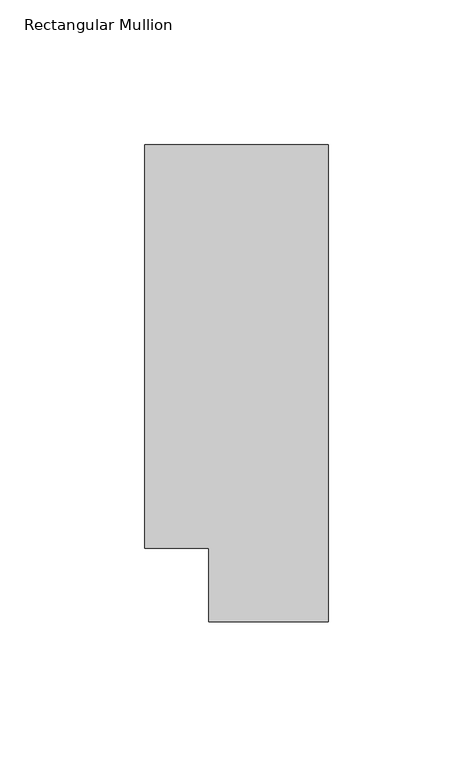
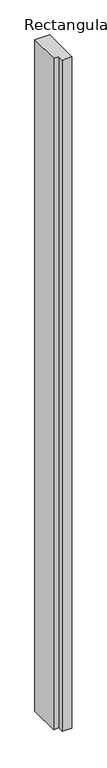
"""IFC4 building model written with IfcOpenShell, lengths in millimetres: member geometry, Rectangular Mullion."""

import ifcopenshell
import ifcopenshell.guid

model = None  # the IFC model being written
_history = None  # IfcOwnerHistory: only IFC2X3 demands one
_inside = {}  # id of a spatial element -> (the spatial element, [elements in it])
_under = {}  # id of a project, library or spatial element -> (it, [spatial elements below it])
_declared = {}  # id of a project -> (the project, [libraries it declares])
_typed = {}  # id of a type object -> (the type object, [elements of that type])
_made_of = {}  # id of a material, layer set ... -> (it, [elements and type objects made of it])


def new_model(schema):
    """Start an empty IFC model of exactly this schema.

    Asked for "IFC4X3", IfcOpenShell would pick the latest addendum, in which some entities
    have other attributes; the version numbers below select the first issue.
    IFC2X3 requires an IfcOwnerHistory on every rooted entity: one is made here for all.
    """
    global model, _history
    if schema == "IFC4X3":
        model = ifcopenshell.file(schema_version=(4, 3, 0, 0))
    else:
        model = ifcopenshell.file(schema=schema)
    _inside.clear()
    _under.clear()
    _declared.clear()
    _typed.clear()
    _made_of.clear()
    _history = None
    if model.schema == "IFC2X3":
        org = make("IfcOrganization", Name="unknown")
        user = make(
            "IfcPersonAndOrganization",
            ThePerson=make("IfcPerson", FamilyName="unknown"),
            TheOrganization=org,
        )
        app = make(
            "IfcApplication",
            ApplicationDeveloper=org,
            Version="unknown",
            ApplicationFullName="unknown",
            ApplicationIdentifier="unknown",
        )
        _history = make(
            "IfcOwnerHistory",
            OwningUser=user,
            OwningApplication=app,
            ChangeAction="ADDED",
            CreationDate=0,
        )
    return model


def make(cls, **values):
    """One entity of the class cls with the attributes given. An attribute that is None is left unset."""
    return model.create_entity(
        cls, **{name: value for name, value in values.items() if value is not None}
    )


def rooted(cls, **values):
    """An entity with a GlobalId (a new one), such as an element, a storey or a relation."""
    return make(cls, GlobalId=ifcopenshell.guid.new(), OwnerHistory=_history, **values)


def si_unit(unit_type, name, prefix=None):
    """IfcSIUnit, for example si_unit("LENGTHUNIT", "METRE", prefix="MILLI")."""
    return make("IfcSIUnit", UnitType=unit_type, Prefix=prefix, Name=name)


def assignment(units):
    """IfcUnitAssignment: the units of a project."""
    return None if units is None else make("IfcUnitAssignment", Units=units)


def point(xyz):
    """IfcCartesianPoint."""
    return None if xyz is None else make("IfcCartesianPoint", Coordinates=xyz)


def direction(xyz):
    """IfcDirection."""
    return None if xyz is None else make("IfcDirection", DirectionRatios=xyz)


def frame(location, z_axis=None, x_axis=None):
    """IfcAxis2Placement3D, a coordinate frame: its origin and axes. An axis left out is left unset."""
    return make(
        "IfcAxis2Placement3D",
        Location=point(location),
        Axis=direction(z_axis),
        RefDirection=direction(x_axis),
    )


def origin():
    """The frame at (0, 0, 0) with its axes left unset."""
    return frame((0.0, 0.0, 0.0))


def place(relative_to, where):
    """IfcLocalPlacement: puts the frame where relative to a parent placement (None: the world)."""
    return make(
        "IfcLocalPlacement", PlacementRelTo=relative_to, RelativePlacement=where
    )


def context(
    kind, dimensions, precision=None, world=None, true_north=None, identifier=None
):
    """IfcGeometricRepresentationContext, for example the 3D "Model" context."""
    return make(
        "IfcGeometricRepresentationContext",
        ContextIdentifier=identifier,
        ContextType=kind,
        CoordinateSpaceDimension=dimensions,
        Precision=precision,
        WorldCoordinateSystem=world,
        TrueNorth=true_north,
    )


def project(units=None, contexts=None):
    """IfcProject with its units and contexts."""
    return rooted(
        "IfcProject",
        Name="project",
        RepresentationContexts=contexts,
        UnitsInContext=assignment(units),
    )


def spatial(cls, under=None, at=None, **own):
    """A site, building, storey or space (cls), placed at a placement, below another one or the project."""
    s = rooted(cls, ObjectPlacement=at, **own)
    if under is not None:
        _under.setdefault(under.id(), (under, []))[1].append(s)
    return s


def polyline(points):
    """IfcPolyline through the points."""
    return make("IfcPolyline", Points=[point(p) for p in points])


def outline(outer, holes=None, kind="AREA"):
    """IfcArbitraryClosedProfileDef: a profile drawn as a closed curve; with holes, ...WithVoids."""
    if holes is None:
        return make("IfcArbitraryClosedProfileDef", ProfileType=kind, OuterCurve=outer)
    return make(
        "IfcArbitraryProfileDefWithVoids",
        ProfileType=kind,
        OuterCurve=outer,
        InnerCurves=holes,
    )


def extrude(swept, where, along, depth):
    """IfcExtrudedAreaSolid: the profile swept, set in the frame where, extruded along a direction by depth."""
    return make(
        "IfcExtrudedAreaSolid",
        SweptArea=swept,
        Position=where,
        ExtrudedDirection=direction(along),
        Depth=depth,
    )


def shape(context_of_items, identifier, shape_type, items):
    """IfcShapeRepresentation: the items that make up one representation, for example the "Body"."""
    return make(
        "IfcShapeRepresentation",
        ContextOfItems=context_of_items,
        RepresentationIdentifier=identifier,
        RepresentationType=shape_type,
        Items=items,
    )


def source(mapping_origin, context_of_items, identifier, shape_type, items):
    """IfcRepresentationMap: a shape defined once, which mapped items show again and again."""
    return make(
        "IfcRepresentationMap",
        MappingOrigin=mapping_origin,
        MappedRepresentation=shape(context_of_items, identifier, shape_type, items),
    )


def transform(
    local_origin,
    x_axis=None,
    y_axis=None,
    z_axis=None,
    scale=None,
    scale2=None,
    scale3=None,
    uniform=True,
):
    """IfcCartesianTransformationOperator3D, or its non-uniform kind. x_axis, y_axis, z_axis: its Axis1, 2, 3."""
    if uniform:
        return make(
            "IfcCartesianTransformationOperator3D",
            Axis1=direction(x_axis),
            Axis2=direction(y_axis),
            LocalOrigin=point(local_origin),
            Scale=scale,
            Axis3=direction(z_axis),
        )
    return make(
        "IfcCartesianTransformationOperator3DnonUniform",
        Axis1=direction(x_axis),
        Axis2=direction(y_axis),
        LocalOrigin=point(local_origin),
        Scale=scale,
        Axis3=direction(z_axis),
        Scale2=scale2,
        Scale3=scale3,
    )


def mapped(mapping_source, mapping_target):
    """IfcMappedItem: shows the shape of a source again, moved by a transform."""
    return make(
        "IfcMappedItem", MappingSource=mapping_source, MappingTarget=mapping_target
    )


def made_of(thing, what):
    """Note that an element or type object is made of a material, layer set ...; save() writes the relation."""
    if what is not None:
        _made_of.setdefault(what.id(), (what, []))[1].append(thing)
    return thing


def element(
    cls,
    number,
    at=None,
    inside=None,
    cuts=None,
    type_object=None,
    material=None,
    context=None,
    identifier="Body",
    shape_type=None,
    held_by="IfcProductDefinitionShape",
    body=None,
    shapes=None,
    **own,
):
    """One element of the class cls, such as IfcWall. Its Tag is "e" and its number.

    at: its placement. inside: the storey or other place that contains it. cuts: it is an
    opening in that element (IfcRelVoidsElement). A single representation is given by context,
    identifier, shape_type and body (its items); several are given by shapes. held_by: the class
    of the entity that holds the representations. save() writes the other relations.
    """
    e = rooted(cls, Tag="e%d" % number, ObjectPlacement=at, **own)
    if body is not None:
        shapes = [shape(context, identifier, shape_type, body)]
    if shapes is not None:
        e.Representation = make(held_by, Representations=shapes)
    if inside is not None:
        _inside.setdefault(inside.id(), (inside, []))[1].append(e)
    if cuts is not None:
        rooted(
            "IfcRelVoidsElement", RelatingBuildingElement=cuts, RelatedOpeningElement=e
        )
    if type_object is not None:
        _typed.setdefault(type_object.id(), (type_object, []))[1].append(e)
    return made_of(e, material)


def aggregate(whole, parts):
    """IfcRelAggregates: a whole, such as a stair, and the parts it consists of."""
    return rooted("IfcRelAggregates", RelatingObject=whole, RelatedObjects=parts)


def save(model, path):
    """Write the relations noted so far, then the file.

    IfcRelAggregates (storeys below a building ...), IfcRelContainedInSpatialStructure (elements
    in a storey), IfcRelDefinesByType, IfcRelAssociatesMaterial and IfcRelDeclares: one each for
    every whole, place, type object, material and project.
    """
    for whole, parts in _under.values():
        aggregate(whole, parts)
    for where, things in _inside.values():
        rooted(
            "IfcRelContainedInSpatialStructure",
            RelatedElements=things,
            RelatingStructure=where,
        )
    for kind, things in _typed.values():
        rooted("IfcRelDefinesByType", RelatedObjects=things, RelatingType=kind)
    for what, things in _made_of.values():
        rooted("IfcRelAssociatesMaterial", RelatedObjects=things, RelatingMaterial=what)
    for by, libraries in _declared.values():
        rooted("IfcRelDeclares", RelatingContext=by, RelatedDefinitions=libraries)
    model.write(path)


def rectangular_mullion_f2c334b2(model_context):
    return source(origin(), model_context, "Body", "SweptSolid", [
        extrude(outline(polyline([(-63.5001132, 139.7380397), (0.0, 139.7380397), (0.0, -25.3619553), (-41.2751132, -25.3619553), (-41.2751132, 0.0380447), (-63.5001132, 0.0380447), (-63.5001132, 139.7380397)])), frame((0.0, 0.0, -3048.0), z_axis=(0.0, 0.0, 1.0), x_axis=(1.0, 0.0, 0.0)), (0.0, 0.0, 1.0), 3048.0),
    ])


if __name__ == "__main__":
    model = new_model("IFC4")
    model_context = context("Model", 3, world=origin())
    ifc_project = project(units=[si_unit("LENGTHUNIT", "METRE", prefix="MILLI")], contexts=[model_context])
    site = spatial("IfcSite", under=ifc_project)
    building = spatial("IfcBuilding", under=site)
    placement = place(None, origin())
    rectangular_mullion_shape = rectangular_mullion_f2c334b2(model_context)
    element("IfcMember", 1, ObjectType="Rectangular Mullion", at=placement, inside=building, context=model_context, shape_type="MappedRepresentation", body=[
        mapped(rectangular_mullion_shape, transform((0.0, 0.0, 0.0), x_axis=(1.0, 0.0, 0.0), y_axis=(0.0, 1.0, 0.0), z_axis=(0.0, 0.0, 1.0))),
    ])
    save(model, "model.ifc")
